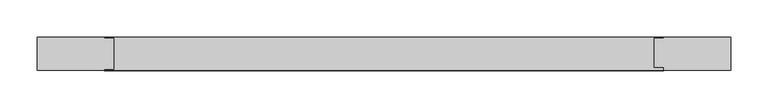
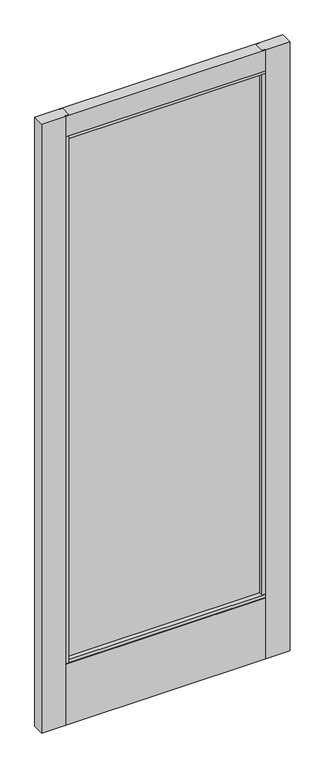
"""IFC4 building model written with IfcOpenShell, lengths in millimetres: plate geometry."""

from ifc_helpers import new_model, si_unit, frame, origin, place, context, project, spatial, polyline, outline, extrude, source, transform, mapped, element, save


def plate_8f4213a6(model_context):
    return source(origin(), model_context, "Body", "SweptSolid", [
        extrude(outline(polyline([(-465.1375, 14.2875), (-375.4304594, 14.2875), (-375.4304594, 12.7276195), (-362.7304594, 12.7276195), (-362.7304594, -28.2929584), (-375.4304594, -28.2929584), (-375.4304594, -30.1625), (-465.1375, -30.1625), (-465.1375, 14.2875)])), frame((0.0, 0.0, 17.4625), z_axis=(0.0, 0.0, 1.0), x_axis=(1.0, 0.0, 0.0)), (0.0, 0.0, 1.0), 2409.825),
        extrude(outline(polyline([(-371.1219957, -10.8991855), (-371.1219957, -4.5491855), (367.5216222, -4.5491855), (367.5216222, -10.8991855), (-371.1219957, -10.8991855)])), frame((0.0, 0.0, 263.906), z_axis=(0.0, 0.0, 1.0), x_axis=(1.0, 0.0, 0.0)), (0.0, 0.0, 1.0), 2076.069),
        extrude(outline(polyline([(465.1375, 14.2875), (465.1375, -30.1625), (375.4405797, -30.1625), (375.4405797, -26.0572968), (362.7405797, -26.0572968), (362.7405797, 12.7276195), (375.4405797, 12.7276195), (375.4405797, 14.2875), (465.1375, 14.2875)])), frame((0.0, 0.0, 17.4625), z_axis=(0.0, 0.0, 1.0), x_axis=(1.0, 0.0, 0.0)), (0.0, 0.0, 1.0), 2409.825),
        extrude(outline(polyline([(-30.1625, 2427.2875), (14.2875, 2427.2875), (14.2875, 2344.740294), (12.7276195, 2344.740294), (12.7276195, 2332.0375), (-28.2929584, 2332.0375), (-28.2929584, 2344.740294), (-30.1625, 2344.740294), (-30.1625, 2427.2875)])), frame((-375.4304594, 0.0, 0.0), z_axis=(1.0, 0.0, 0.0), x_axis=(0.0, 1.0, 0.0)), (0.0, 0.0, 1.0), 750.8710391),
        extrude(outline(polyline([(-28.2929584, 271.4298836), (12.7276195, 271.4298836), (12.7276195, 258.7303916), (14.2875, 258.7303916), (14.2875, 17.4625), (-30.1625, 17.4625), (-30.1625, 258.7303916), (-28.2929584, 258.7303916), (-28.2929584, 271.4298836)])), frame((-375.4304594, 0.0, 0.0), z_axis=(1.0, 0.0, 0.0), x_axis=(0.0, 1.0, 0.0)), (0.0, 0.0, 1.0), 750.8710391),
    ])


if __name__ == "__main__":
    model = new_model("IFC4")
    model_context = context("Model", 3, world=origin())
    ifc_project = project(units=[si_unit("LENGTHUNIT", "METRE", prefix="MILLI")], contexts=[model_context])
    site = spatial("IfcSite", under=ifc_project)
    building = spatial("IfcBuilding", under=site)
    placement = place(None, origin())
    plate_shape = plate_8f4213a6(model_context)
    element("IfcPlate", 1, at=placement, inside=building, context=model_context, shape_type="MappedRepresentation", body=[
        mapped(plate_shape, transform((0.0, 0.0, 0.0), x_axis=(1.0, 0.0, 0.0), y_axis=(0.0, 1.0, 0.0), z_axis=(0.0, 0.0, 1.0))),
    ])
    save(model, "model.ifc")
